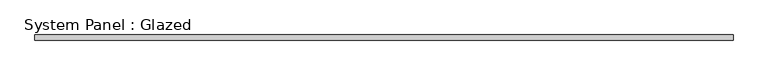
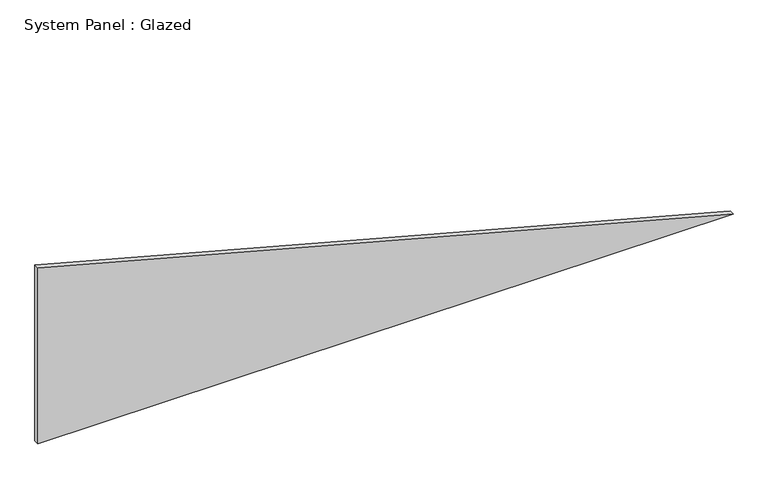
"""IFC4 building model written with IfcOpenShell, lengths in millimetres: plate geometry, System Panel : Glazed."""

from ifc_helpers import new_model, si_unit, frame, origin, place, context, project, spatial, polyline, outline, extrude, source, transform, mapped, element, save


def system_panel_glazed_46f8644a(model_context):
    return source(origin(), model_context, "Body", "SweptSolid", [
        extrude(outline(polyline([(0.0, -1703.2884867), (0.0, 1703.2884867), (912.789549, -1703.2884867), (0.0, -1703.2884867)])), frame((0.0, -2.5, 0.0), z_axis=(0.0, 1.0, 0.0), x_axis=(0.0, 0.0, 1.0)), (0.0, 0.0, 1.0), 25.0),
    ])


if __name__ == "__main__":
    model = new_model("IFC4")
    model_context = context("Model", 3, world=origin())
    ifc_project = project(units=[si_unit("LENGTHUNIT", "METRE", prefix="MILLI")], contexts=[model_context])
    site = spatial("IfcSite", under=ifc_project)
    building = spatial("IfcBuilding", under=site)
    placement = place(None, origin())
    system_panel_glazed_shape = system_panel_glazed_46f8644a(model_context)
    element("IfcPlate", 1, ObjectType="System Panel : Glazed", at=placement, inside=building, context=model_context, shape_type="MappedRepresentation", body=[
        mapped(system_panel_glazed_shape, transform((0.0, 0.0, 0.0), x_axis=(1.0, 0.0, 0.0), y_axis=(0.0, 1.0, 0.0), z_axis=(0.0, 0.0, 1.0))),
    ])
    save(model, "model.ifc")
